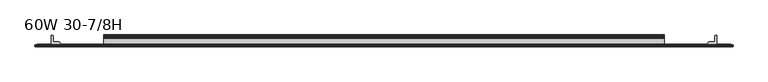
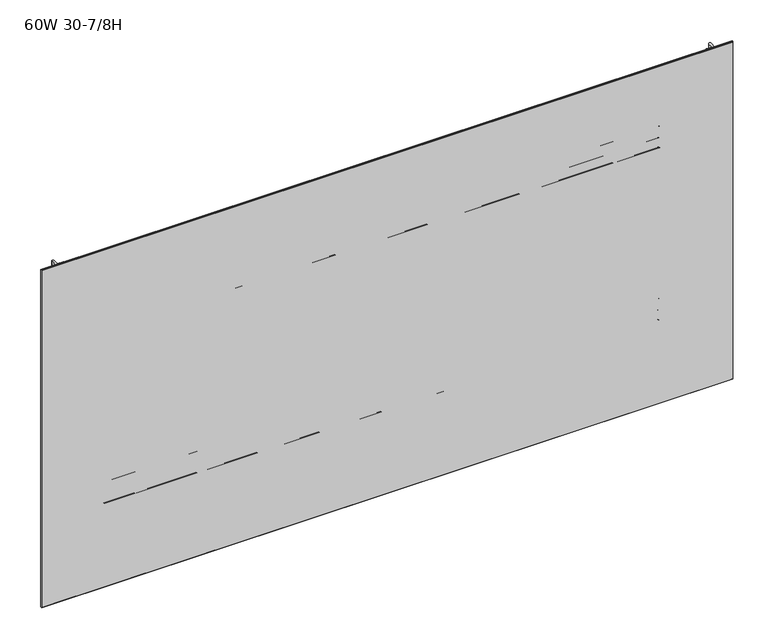
"""IFC4 building model written with IfcOpenShell, lengths in millimetres: furniture geometry, 60W 30-7/8H."""

from ifc_helpers import new_model, si_unit, point, frame, frame_2d, origin, place, context, project, spatial, polyline, circle_curve, trimmed, segment, composite_curve, outline, extrude, faceted_brep, source, transform, mapped, element, save


def furniture_60w_30_7_8h_9037470f(model_context):
    return source(origin(), model_context, "Body", "SolidModel", [
        extrude(outline(composite_curve([segment(polyline([(-5.2324, 715.0809175), (-5.2324, 736.1994434)]), True, "CONTINUOUS"), segment(trimmed(circle_curve(frame_2d((-4.677496, 736.1994434)), 0.554904), [point((-5.2324, 736.1994434))], [point((-4.5338691, 736.7354377))], False, "CARTESIAN"), True, "CONTINUOUS"), segment(polyline([(-4.5338691, 736.7354377), (-3.3274001, 736.4121481), (-2.3976956, 735.482481), (-2.0574001, 734.2124277), (-2.0574001, 721.4426431)]), True, "CONTINUOUS"), segment(trimmed(circle_curve(frame_2d((-1.4921701, 721.4426431)), 0.5652299), [point((-2.0574001, 721.4426431))], [point((-1.4921701, 720.8774132))], True, "CARTESIAN"), True, "CONTINUOUS"), segment(polyline([(-1.4921701, 720.8774132), (0.5143951, 720.8774132)]), True, "CONTINUOUS"), segment(trimmed(circle_curve(frame_2d((0.5143951, 720.2742083)), 0.6032049), [point((0.5143951, 720.8774132))], [point((1.1176, 720.2742083))], False, "CARTESIAN"), True, "CONTINUOUS"), segment(polyline([(1.1176, 720.2742083), (1.1176, 689.1596046)]), True, "CONTINUOUS"), segment(trimmed(circle_curve(frame_2d((0.6637885, 691.8488096)), 2.7272272), [point((1.1176, 689.1596046))], [point((-2.0574001, 691.6674229))], False, "CARTESIAN"), True, "CONTINUOUS"), segment(polyline([(-2.0574001, 691.6674229), (-2.0574001, 713.9831717)]), True, "CONTINUOUS"), segment(trimmed(circle_curve(frame_2d((-2.6016657, 713.9831717)), 0.5442657), [point((-2.0574001, 713.9831717))], [point((-2.6016657, 714.5274374))], True, "CARTESIAN"), True, "CONTINUOUS"), segment(polyline([(-2.6016657, 714.5274374), (-4.6789199, 714.5274374)]), True, "CONTINUOUS"), segment(trimmed(circle_curve(frame_2d((-4.6789199, 715.0809175)), 0.5534801), [point((-4.6789199, 714.5274374))], [point((-5.2324, 715.0809175))], False, "CARTESIAN"), True, "CONTINUOUS")], self_intersect=False)), frame((152.4, 0.0, 0.0), z_axis=(1.0, 0.0, 0.0), x_axis=(0.0, 1.0, 0.0)), (0.0, 0.0, 1.0), 1219.2),
        extrude(outline(composite_curve([segment(polyline([(-7.1373999, 768.5024132), (-4.5974, 767.8218588), (-2.7379909, 765.9624519), (-2.0574001, 763.422418), (-2.0574001, 741.8087352)]), True, "CONTINUOUS"), segment(trimmed(circle_curve(frame_2d((-1.4969277, 741.8087352)), 0.5604724), [point((-2.0574001, 741.8087352))], [point((-1.4969277, 741.2482628))], True, "CARTESIAN"), True, "CONTINUOUS"), segment(polyline([(-1.4969277, 741.2482628), (0.4039455, 741.2482628)]), True, "CONTINUOUS"), segment(trimmed(circle_curve(frame_2d((0.4039455, 740.5346084)), 0.7136544), [point((0.4039455, 741.2482628))], [point((1.1176, 740.5346084))], False, "CARTESIAN"), True, "CONTINUOUS"), segment(polyline([(1.1176, 740.5346084), (1.1176, 722.1784694)]), True, "CONTINUOUS"), segment(trimmed(circle_curve(frame_2d((0.4746932, 722.1784694)), 0.6429068), [point((1.1176, 722.1784694))], [point((-0.1003385, 721.8909495))], False, "CARTESIAN"), True, "CONTINUOUS"), segment(polyline([(-0.1003385, 721.8909495), (-1.8183367, 725.3268984)]), True, "CONTINUOUS"), segment(trimmed(circle_curve(frame_2d((0.2069874, 726.3395745)), 2.2643874), [point((-1.8183367, 725.3268984))], [point((-2.0574001, 726.3395745))], False, "CARTESIAN"), True, "CONTINUOUS"), segment(polyline([(-2.0574001, 726.3395745), (-2.0574001, 736.0152528)]), True, "CONTINUOUS"), segment(trimmed(circle_curve(frame_2d((-2.7946089, 736.0152528)), 0.7372088), [point((-2.0574001, 736.0152528))], [point((-2.7946089, 736.7524616))], True, "CARTESIAN"), True, "CONTINUOUS"), segment(polyline([(-2.7946089, 736.7524616), (-19.4564001, 736.7524616), (-19.4564001, 768.5024132), (-7.1373999, 768.5024132)]), True, "CONTINUOUS")], self_intersect=False), holes=[composite_curve([segment(trimmed(circle_curve(frame_2d((-13.0222745, 763.2113262)), 2.7511257), [point((-13.0222745, 765.9624519))], [point((-15.7734002, 763.2113262))], True, "CARTESIAN"), True, "CONTINUOUS"), segment(polyline([(-15.7734002, 763.2113262), (-15.7734002, 741.8764781)]), True, "CONTINUOUS"), segment(trimmed(circle_curve(frame_2d((-13.189345, 741.8764781)), 2.5840552), [point((-15.7734002, 741.8764781))], [point((-13.189345, 739.2924229))], True, "CARTESIAN"), True, "CONTINUOUS"), segment(polyline([(-13.189345, 739.2924229), (-7.4218653, 739.2924229)]), True, "CONTINUOUS"), segment(trimmed(circle_curve(frame_2d((-7.4218653, 742.1168881)), 2.8244652), [point((-7.4218653, 739.2924229))], [point((-4.5974, 742.1168881))], True, "CARTESIAN"), True, "CONTINUOUS"), segment(polyline([(-4.5974, 742.1168881), (-4.5974, 763.2853081)]), True, "CONTINUOUS"), segment(trimmed(circle_curve(frame_2d((-7.2745438, 763.2853081)), 2.6771438), [point((-4.5974, 763.2853081))], [point((-7.2745438, 765.9624519))], True, "CARTESIAN"), True, "CONTINUOUS"), segment(polyline([(-7.2745438, 765.9624519), (-13.0222745, 765.9624519)]), True, "CONTINUOUS")], self_intersect=False)]), frame((152.4, 0.0, 0.0), z_axis=(1.0, 0.0, 0.0), x_axis=(0.0, 1.0, 0.0)), (0.0, 0.0, 1.0), 1219.2),
        extrude(outline(composite_curve([segment(polyline([(-5.2324, 1115.1182044), (-5.2324, 1136.2367302)]), True, "CONTINUOUS"), segment(trimmed(circle_curve(frame_2d((-4.677496, 1136.2367302)), 0.554904), [point((-5.2324, 1136.2367302))], [point((-4.5338691, 1136.7727245))], False, "CARTESIAN"), True, "CONTINUOUS"), segment(polyline([(-4.5338691, 1136.7727245), (-3.3274001, 1136.4494349), (-2.3976956, 1135.5197678), (-2.0574001, 1134.2497145), (-2.0574001, 1121.4799299)]), True, "CONTINUOUS"), segment(trimmed(circle_curve(frame_2d((-1.4921701, 1121.4799299)), 0.5652299), [point((-2.0574001, 1121.4799299))], [point((-1.4921701, 1120.9147))], True, "CARTESIAN"), True, "CONTINUOUS"), segment(polyline([(-1.4921701, 1120.9147), (0.5143951, 1120.9147)]), True, "CONTINUOUS"), segment(trimmed(circle_curve(frame_2d((0.5143951, 1120.3114951)), 0.6032049), [point((0.5143951, 1120.9147))], [point((1.1176, 1120.3114951))], False, "CARTESIAN"), True, "CONTINUOUS"), segment(polyline([(1.1176, 1120.3114951), (1.1176, 1089.1968914)]), True, "CONTINUOUS"), segment(trimmed(circle_curve(frame_2d((0.6637885, 1091.8860964)), 2.7272272), [point((1.1176, 1089.1968914))], [point((-2.0574001, 1091.7047097))], False, "CARTESIAN"), True, "CONTINUOUS"), segment(polyline([(-2.0574001, 1091.7047097), (-2.0574001, 1114.0204586)]), True, "CONTINUOUS"), segment(trimmed(circle_curve(frame_2d((-2.6016657, 1114.0204586)), 0.5442657), [point((-2.0574001, 1114.0204586))], [point((-2.6016657, 1114.5647242))], True, "CARTESIAN"), True, "CONTINUOUS"), segment(polyline([(-2.6016657, 1114.5647242), (-4.6789199, 1114.5647242)]), True, "CONTINUOUS"), segment(trimmed(circle_curve(frame_2d((-4.6789199, 1115.1182044)), 0.5534801), [point((-4.6789199, 1114.5647242))], [point((-5.2324, 1115.1182044))], False, "CARTESIAN"), True, "CONTINUOUS")], self_intersect=False)), frame((152.4, 0.0, 0.0), z_axis=(1.0, 0.0, 0.0), x_axis=(0.0, 1.0, 0.0)), (0.0, 0.0, 1.0), 1219.2),
        extrude(outline(composite_curve([segment(polyline([(-7.1373999, 1168.5397), (-4.5974, 1167.8591456), (-2.7379909, 1165.9997388), (-2.0574001, 1163.4597048), (-2.0574001, 1141.846022)]), True, "CONTINUOUS"), segment(trimmed(circle_curve(frame_2d((-1.4969277, 1141.846022)), 0.5604724), [point((-2.0574001, 1141.846022))], [point((-1.4969277, 1141.2855496))], True, "CARTESIAN"), True, "CONTINUOUS"), segment(polyline([(-1.4969277, 1141.2855496), (0.4039455, 1141.2855496)]), True, "CONTINUOUS"), segment(trimmed(circle_curve(frame_2d((0.4039455, 1140.5718952)), 0.7136544), [point((0.4039455, 1141.2855496))], [point((1.1176, 1140.5718952))], False, "CARTESIAN"), True, "CONTINUOUS"), segment(polyline([(1.1176, 1140.5718952), (1.1176, 1122.2157562)]), True, "CONTINUOUS"), segment(trimmed(circle_curve(frame_2d((0.4746932, 1122.2157562)), 0.6429068), [point((1.1176, 1122.2157562))], [point((-0.1003385, 1121.9282364))], False, "CARTESIAN"), True, "CONTINUOUS"), segment(polyline([(-0.1003385, 1121.9282364), (-1.8183367, 1125.3641852)]), True, "CONTINUOUS"), segment(trimmed(circle_curve(frame_2d((0.2069874, 1126.3768613)), 2.2643874), [point((-1.8183367, 1125.3641852))], [point((-2.0574001, 1126.3768613))], False, "CARTESIAN"), True, "CONTINUOUS"), segment(polyline([(-2.0574001, 1126.3768613), (-2.0574001, 1136.0525396)]), True, "CONTINUOUS"), segment(trimmed(circle_curve(frame_2d((-2.7946089, 1136.0525396)), 0.7372088), [point((-2.0574001, 1136.0525396))], [point((-2.7946089, 1136.7897484))], True, "CARTESIAN"), True, "CONTINUOUS"), segment(polyline([(-2.7946089, 1136.7897484), (-19.4564001, 1136.7897484), (-19.4564001, 1168.5397), (-7.1373999, 1168.5397)]), True, "CONTINUOUS")], self_intersect=False), holes=[composite_curve([segment(trimmed(circle_curve(frame_2d((-13.0222745, 1163.248613)), 2.7511257), [point((-13.0222745, 1165.9997388))], [point((-15.7734002, 1163.248613))], True, "CARTESIAN"), True, "CONTINUOUS"), segment(polyline([(-15.7734002, 1163.248613), (-15.7734002, 1141.9137649)]), True, "CONTINUOUS"), segment(trimmed(circle_curve(frame_2d((-13.189345, 1141.9137649)), 2.5840552), [point((-15.7734002, 1141.9137649))], [point((-13.189345, 1139.3297097))], True, "CARTESIAN"), True, "CONTINUOUS"), segment(polyline([(-13.189345, 1139.3297097), (-7.4218653, 1139.3297097)]), True, "CONTINUOUS"), segment(trimmed(circle_curve(frame_2d((-7.4218653, 1142.1541749)), 2.8244652), [point((-7.4218653, 1139.3297097))], [point((-4.5974, 1142.1541749))], True, "CARTESIAN"), True, "CONTINUOUS"), segment(polyline([(-4.5974, 1142.1541749), (-4.5974, 1163.322595)]), True, "CONTINUOUS"), segment(trimmed(circle_curve(frame_2d((-7.2745438, 1163.322595)), 2.6771438), [point((-4.5974, 1163.322595))], [point((-7.2745438, 1165.9997388))], True, "CARTESIAN"), True, "CONTINUOUS"), segment(polyline([(-7.2745438, 1165.9997388), (-13.0222745, 1165.9997388)]), True, "CONTINUOUS")], self_intersect=False)]), frame((152.4, 0.0, 0.0), z_axis=(1.0, 0.0, 0.0), x_axis=(0.0, 1.0, 0.0)), (0.0, 0.0, 1.0), 1219.2),
        extrude(outline(composite_curve([segment(trimmed(circle_curve(frame_2d((1485.3524764, -18.9088765)), 0.5475236), [point((1485.9, -18.9088765))], [point((1485.3524764, -19.4564001))], False, "CARTESIAN"), True, "CONTINUOUS"), segment(polyline([(1485.3524764, -19.4564001), (1467.4113866, -19.4564001)]), True, "CONTINUOUS"), segment(trimmed(circle_curve(frame_2d((1467.4113866, -18.8950135)), 0.5613866), [point((1467.4113866, -19.4564001))], [point((1466.85, -18.8950135))], False, "CARTESIAN"), True, "CONTINUOUS"), segment(polyline([(1466.85, -18.8950135), (1466.85, -16.8669745)]), True, "CONTINUOUS"), segment(trimmed(circle_curve(frame_2d((1469.4294745, -16.8669745)), 2.5794745), [point((1466.85, -16.8669745))], [point((1469.4294745, -14.2875))], False, "CARTESIAN"), True, "CONTINUOUS"), segment(polyline([(1469.4294745, -14.2875), (1480.4787912, -14.2875)]), True, "CONTINUOUS"), segment(trimmed(circle_curve(frame_2d((1480.4787912, -13.6414903)), 0.6460097), [point((1480.4787912, -14.2875))], [point((1481.1248009, -13.6414903))], True, "CARTESIAN"), True, "CONTINUOUS"), segment(polyline([(1481.1248009, -13.6414903), (1481.1248009, -2.768893)]), True, "CONTINUOUS"), segment(trimmed(circle_curve(frame_2d((1483.8936939, -2.768893)), 2.768893), [point((1481.1248009, -2.768893))], [point((1483.8936939, 0.0))], False, "CARTESIAN"), True, "CONTINUOUS"), segment(polyline([(1483.8936939, 0.0), (1485.3082199, 0.0)]), True, "CONTINUOUS"), segment(trimmed(circle_curve(frame_2d((1485.3082199, -0.5917801)), 0.5917801), [point((1485.3082199, 0.0))], [point((1485.9, -0.5917801))], False, "CARTESIAN"), True, "CONTINUOUS"), segment(polyline([(1485.9, -0.5917801), (1485.9, -18.9088765)]), True, "CONTINUOUS")], self_intersect=False)), frame((0.0, 0.0, 541.655), z_axis=(0.0, 0.0, 1.0), x_axis=(1.0, 0.0, 0.0)), (0.0, 0.0, 1.0), 774.6873),
        extrude(outline(composite_curve([segment(polyline([(38.1, -18.9088765), (38.1, -0.5917801)]), True, "CONTINUOUS"), segment(trimmed(circle_curve(frame_2d((38.6917801, -0.5917801)), 0.5917801), [point((38.1, -0.5917801))], [point((38.6917801, 0.0))], False, "CARTESIAN"), True, "CONTINUOUS"), segment(polyline([(38.6917801, 0.0), (40.1063061, 0.0)]), True, "CONTINUOUS"), segment(trimmed(circle_curve(frame_2d((40.1063061, -2.768893)), 2.768893), [point((40.1063061, 0.0))], [point((42.8751991, -2.768893))], False, "CARTESIAN"), True, "CONTINUOUS"), segment(polyline([(42.8751991, -2.768893), (42.8751991, -13.6414903)]), True, "CONTINUOUS"), segment(trimmed(circle_curve(frame_2d((43.5212088, -13.6414903)), 0.6460097), [point((42.8751991, -13.6414903))], [point((43.5212088, -14.2875))], True, "CARTESIAN"), True, "CONTINUOUS"), segment(polyline([(43.5212088, -14.2875), (54.5705255, -14.2875)]), True, "CONTINUOUS"), segment(trimmed(circle_curve(frame_2d((54.5705255, -16.8669745)), 2.5794745), [point((54.5705255, -14.2875))], [point((57.15, -16.8669745))], False, "CARTESIAN"), True, "CONTINUOUS"), segment(polyline([(57.15, -16.8669745), (57.15, -18.8950135)]), True, "CONTINUOUS"), segment(trimmed(circle_curve(frame_2d((56.5886134, -18.8950135)), 0.5613866), [point((57.15, -18.8950135))], [point((56.5886134, -19.4564001))], False, "CARTESIAN"), True, "CONTINUOUS"), segment(polyline([(56.5886134, -19.4564001), (38.6475236, -19.4564001)]), True, "CONTINUOUS"), segment(trimmed(circle_curve(frame_2d((38.6475236, -18.9088765)), 0.5475236), [point((38.6475236, -19.4564001))], [point((38.1, -18.9088765))], False, "CARTESIAN"), True, "CONTINUOUS")], self_intersect=False)), frame((0.0, 0.0, 541.655), z_axis=(0.0, 0.0, 1.0), x_axis=(1.0, 0.0, 0.0)), (0.0, 0.0, 1.0), 774.6873),
        extrude(outline(polyline([(1516.6975002, -20.0634601), (7.3024998, -20.0634601), (7.3024998, -19.4564001), (1516.6975002, -19.4564001), (1516.6975002, -20.0634601)])), frame((0.0, 0.0, 541.655), z_axis=(0.0, 0.0, 1.0), x_axis=(1.0, 0.0, 0.0)), (0.0, 0.0, 1.0), 774.6873),
        faceted_brep([(1521.4600024, -24.0512595, 1321.1048), (1521.4600024, -20.8508598, 1321.1048), (2.5400001, -20.8508598, 1321.1048), (2.5400001, -24.0512595, 1321.1048), (2.5400001, -24.0512595, 536.8798), (2.5400001, -20.8508598, 536.8798), (1521.4600024, -20.8508598, 536.8798), (1521.4600024, -24.0512595, 536.8798), (3.3274521, -24.8386592, 1320.3173481), (3.3274521, -24.8386592, 537.6672519), (1520.6725505, -24.8386592, 537.6672519), (1520.6725505, -24.8386592, 1320.3173481), (3.3274521, -20.0634601, 537.6672519), (3.3274521, -20.0634601, 1320.3173481), (1520.6725505, -20.0634601, 1320.3173481), (1520.6725505, -20.0634601, 537.6672519)], [[[0, 1, 2, 3]], [[4, 5, 6, 7]], [[8, 9, 10, 11]], [[1, 0, 7, 6]], [[12, 13, 14, 15]], [[3, 2, 5, 4]], [[12, 5, 2, 13]], [[4, 9, 8, 3]], [[5, 12, 15, 6]], [[9, 4, 7, 10]], [[6, 15, 14, 1]], [[10, 7, 0, 11]], [[13, 2, 1, 14]], [[3, 8, 11, 0]]]),
    ])


if __name__ == "__main__":
    model = new_model("IFC4")
    model_context = context("Model", 3, world=origin())
    ifc_project = project(units=[si_unit("LENGTHUNIT", "METRE", prefix="MILLI")], contexts=[model_context])
    site = spatial("IfcSite", under=ifc_project)
    building = spatial("IfcBuilding", under=site)
    placement = place(None, origin())
    furniture_60w_30_7_8h_shape = furniture_60w_30_7_8h_9037470f(model_context)
    element("IfcFurniture", 1, ObjectType="60W 30-7/8H", at=placement, inside=building, context=model_context, shape_type="MappedRepresentation", body=[
        mapped(furniture_60w_30_7_8h_shape, transform((0.0, 0.0, 0.0), x_axis=(1.0, 0.0, 0.0), y_axis=(0.0, 1.0, 0.0), z_axis=(0.0, 0.0, 1.0))),
    ])
    save(model, "model.ifc")
